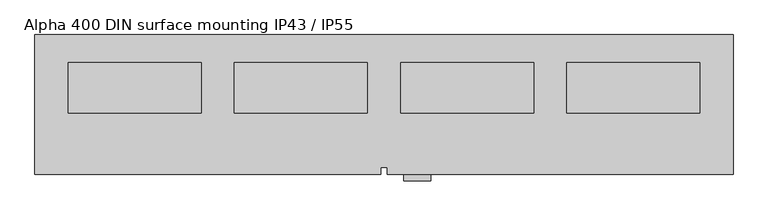
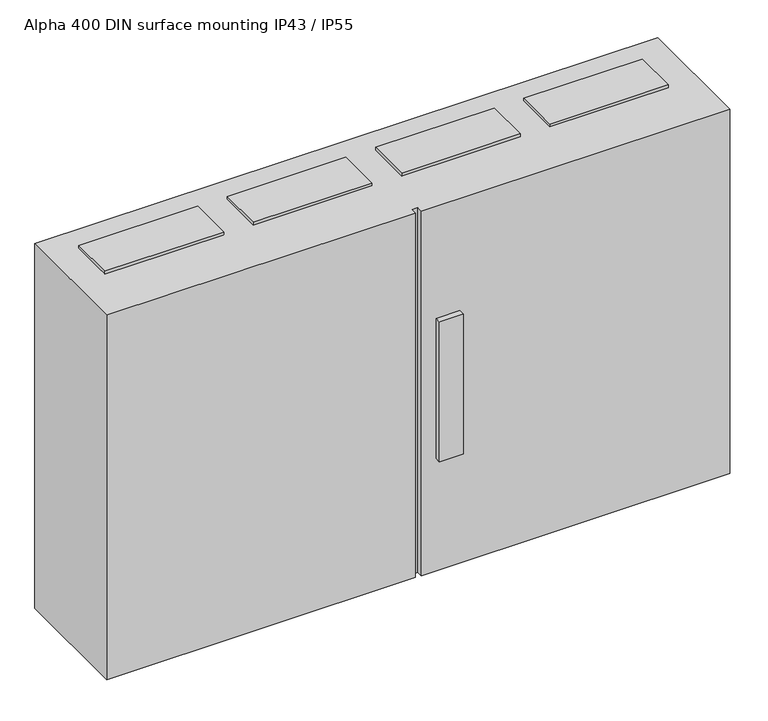
"""IFC4 building model written with IfcOpenShell, lengths in millimetres: proxy geometry, Alpha 400 DIN surface mounting IP43 / IP55."""

from ifc_helpers import new_model, si_unit, frame, origin, origin_with_axes, place, context, project, spatial, polyline, outline, extrude, source, transform, mapped, element, save


def alpha_400_din_surface_mounting_ip43_ip55_29565ba5(model_context):
    return source(origin(), model_context, "Body", "SweptSolid", [
        extrude(outline(polyline([(1000.0, -42.0), (1000.0, -118.0), (800.0, -118.0), (800.0, -42.0), (1000.0, -42.0)])), frame((0.0, 0.0, 650.0), z_axis=(0.0, 0.0, 1.0), x_axis=(1.0, 0.0, 0.0)), (0.0, 0.0, 1.0), 5.0),
        extrude(outline(polyline([(1000.0, -42.0), (1000.0, -118.0), (800.0, -118.0), (800.0, -42.0), (1000.0, -42.0)])), frame((0.0, 0.0, -5.0), z_axis=(0.0, 0.0, 1.0), x_axis=(1.0, 0.0, 0.0)), (0.0, 0.0, 1.0), 5.0),
        extrude(outline(polyline([(750.0, -42.0), (750.0, -118.0), (550.0, -118.0), (550.0, -42.0), (750.0, -42.0)])), frame((0.0, 0.0, 650.0), z_axis=(0.0, 0.0, 1.0), x_axis=(1.0, 0.0, 0.0)), (0.0, 0.0, 1.0), 5.0),
        extrude(outline(polyline([(750.0, -42.0), (750.0, -118.0), (550.0, -118.0), (550.0, -42.0), (750.0, -42.0)])), frame((0.0, 0.0, -5.0), z_axis=(0.0, 0.0, 1.0), x_axis=(1.0, 0.0, 0.0)), (0.0, 0.0, 1.0), 5.0),
        extrude(outline(polyline([(500.0, -42.0), (500.0, -118.0), (300.0, -118.0), (300.0, -42.0), (500.0, -42.0)])), frame((0.0, 0.0, 650.0), z_axis=(0.0, 0.0, 1.0), x_axis=(1.0, 0.0, 0.0)), (0.0, 0.0, 1.0), 5.0),
        extrude(outline(polyline([(500.0, -42.0), (500.0, -118.0), (300.0, -118.0), (300.0, -42.0), (500.0, -42.0)])), frame((0.0, 0.0, -5.0), z_axis=(0.0, 0.0, 1.0), x_axis=(1.0, 0.0, 0.0)), (0.0, 0.0, 1.0), 5.0),
        extrude(outline(polyline([(250.0, -42.0), (250.0, -118.0), (50.0, -118.0), (50.0, -42.0), (250.0, -42.0)])), frame((0.0, 0.0, 650.0), z_axis=(0.0, 0.0, 1.0), x_axis=(1.0, 0.0, 0.0)), (0.0, 0.0, 1.0), 5.0),
        extrude(outline(polyline([(250.0, -42.0), (250.0, -118.0), (50.0, -118.0), (50.0, -42.0), (250.0, -42.0)])), frame((0.0, 0.0, -5.0), z_axis=(0.0, 0.0, 1.0), x_axis=(1.0, 0.0, 0.0)), (0.0, 0.0, 1.0), 5.0),
        extrude(outline(polyline([(595.0, -210.0), (595.0, -220.0), (555.0, -220.0), (555.0, -210.0), (595.0, -210.0)])), frame((0.0, 0.0, 200.0), z_axis=(0.0, 0.0, 1.0), x_axis=(1.0, 0.0, 0.0)), (0.0, 0.0, 1.0), 250.0),
        extrude(outline(polyline([(1050.0, 0.0), (1050.0, -210.0), (530.0, -210.0), (530.0, -200.0), (520.0, -200.0), (520.0, -210.0), (0.0, -210.0), (0.0, 0.0), (1050.0, 0.0)])), origin_with_axes(), (0.0, 0.0, 1.0), 650.0),
    ])


if __name__ == "__main__":
    model = new_model("IFC4")
    model_context = context("Model", 3, world=origin())
    ifc_project = project(units=[si_unit("LENGTHUNIT", "METRE", prefix="MILLI")], contexts=[model_context])
    site = spatial("IfcSite", under=ifc_project)
    building = spatial("IfcBuilding", under=site)
    placement = place(None, origin())
    alpha_400_din_surface_mounting_ip43_ip55_shape = alpha_400_din_surface_mounting_ip43_ip55_29565ba5(model_context)
    element("IfcBuildingElementProxy", 1, Name="Alpha 400 DIN surface mounting IP43 / IP55", ObjectType="Alpha 400 DIN surface mounting IP43 / IP55", at=placement, inside=building, context=model_context, shape_type="MappedRepresentation", body=[
        mapped(alpha_400_din_surface_mounting_ip43_ip55_shape, transform((0.0, 0.0, 0.0), x_axis=(1.0, 0.0, 0.0), y_axis=(0.0, 1.0, 0.0), z_axis=(0.0, 0.0, 1.0))),
    ])
    save(model, "model.ifc")
